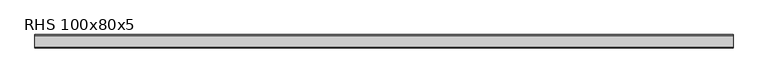
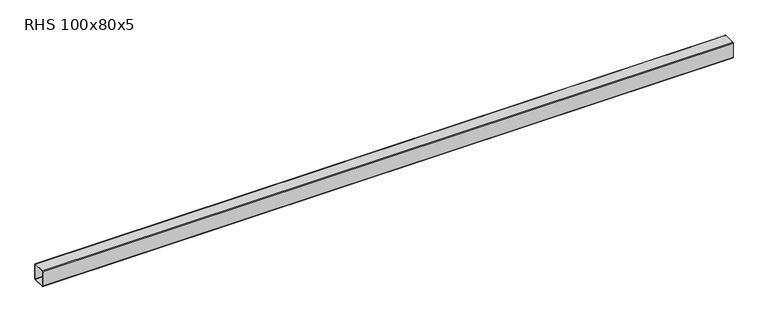
"""IFC4 building model written with IfcOpenShell, lengths in millimetres: beam geometry, RHS 100x80x5."""

import ifcopenshell
import ifcopenshell.guid

model = None  # the IFC model being written
_history = None  # IfcOwnerHistory: only IFC2X3 demands one
_inside = {}  # id of a spatial element -> (the spatial element, [elements in it])
_under = {}  # id of a project, library or spatial element -> (it, [spatial elements below it])
_declared = {}  # id of a project -> (the project, [libraries it declares])
_typed = {}  # id of a type object -> (the type object, [elements of that type])
_made_of = {}  # id of a material, layer set ... -> (it, [elements and type objects made of it])


def new_model(schema):
    """Start an empty IFC model of exactly this schema.

    Asked for "IFC4X3", IfcOpenShell would pick the latest addendum, in which some entities
    have other attributes; the version numbers below select the first issue.
    IFC2X3 requires an IfcOwnerHistory on every rooted entity: one is made here for all.
    """
    global model, _history
    if schema == "IFC4X3":
        model = ifcopenshell.file(schema_version=(4, 3, 0, 0))
    else:
        model = ifcopenshell.file(schema=schema)
    _inside.clear()
    _under.clear()
    _declared.clear()
    _typed.clear()
    _made_of.clear()
    _history = None
    if model.schema == "IFC2X3":
        org = make("IfcOrganization", Name="unknown")
        user = make(
            "IfcPersonAndOrganization",
            ThePerson=make("IfcPerson", FamilyName="unknown"),
            TheOrganization=org,
        )
        app = make(
            "IfcApplication",
            ApplicationDeveloper=org,
            Version="unknown",
            ApplicationFullName="unknown",
            ApplicationIdentifier="unknown",
        )
        _history = make(
            "IfcOwnerHistory",
            OwningUser=user,
            OwningApplication=app,
            ChangeAction="ADDED",
            CreationDate=0,
        )
    return model


def make(cls, **values):
    """One entity of the class cls with the attributes given. An attribute that is None is left unset."""
    return model.create_entity(
        cls, **{name: value for name, value in values.items() if value is not None}
    )


def rooted(cls, **values):
    """An entity with a GlobalId (a new one), such as an element, a storey or a relation."""
    return make(cls, GlobalId=ifcopenshell.guid.new(), OwnerHistory=_history, **values)


def si_unit(unit_type, name, prefix=None):
    """IfcSIUnit, for example si_unit("LENGTHUNIT", "METRE", prefix="MILLI")."""
    return make("IfcSIUnit", UnitType=unit_type, Prefix=prefix, Name=name)


def assignment(units):
    """IfcUnitAssignment: the units of a project."""
    return None if units is None else make("IfcUnitAssignment", Units=units)


def point(xyz):
    """IfcCartesianPoint."""
    return None if xyz is None else make("IfcCartesianPoint", Coordinates=xyz)


def direction(xyz):
    """IfcDirection."""
    return None if xyz is None else make("IfcDirection", DirectionRatios=xyz)


def frame(location, z_axis=None, x_axis=None):
    """IfcAxis2Placement3D, a coordinate frame: its origin and axes. An axis left out is left unset."""
    return make(
        "IfcAxis2Placement3D",
        Location=point(location),
        Axis=direction(z_axis),
        RefDirection=direction(x_axis),
    )


def frame_2d(location, x_axis=None):
    """IfcAxis2Placement2D, a coordinate frame in the plane: its origin and x axis."""
    return make(
        "IfcAxis2Placement2D", Location=point(location), RefDirection=direction(x_axis)
    )


def origin():
    """The frame at (0, 0, 0) with its axes left unset."""
    return frame((0.0, 0.0, 0.0))


def place(relative_to, where):
    """IfcLocalPlacement: puts the frame where relative to a parent placement (None: the world)."""
    return make(
        "IfcLocalPlacement", PlacementRelTo=relative_to, RelativePlacement=where
    )


def context(
    kind, dimensions, precision=None, world=None, true_north=None, identifier=None
):
    """IfcGeometricRepresentationContext, for example the 3D "Model" context."""
    return make(
        "IfcGeometricRepresentationContext",
        ContextIdentifier=identifier,
        ContextType=kind,
        CoordinateSpaceDimension=dimensions,
        Precision=precision,
        WorldCoordinateSystem=world,
        TrueNorth=true_north,
    )


def project(units=None, contexts=None):
    """IfcProject with its units and contexts."""
    return rooted(
        "IfcProject",
        Name="project",
        RepresentationContexts=contexts,
        UnitsInContext=assignment(units),
    )


def spatial(cls, under=None, at=None, **own):
    """A site, building, storey or space (cls), placed at a placement, below another one or the project."""
    s = rooted(cls, ObjectPlacement=at, **own)
    if under is not None:
        _under.setdefault(under.id(), (under, []))[1].append(s)
    return s


def polyline(points):
    """IfcPolyline through the points."""
    return make("IfcPolyline", Points=[point(p) for p in points])


def circle_curve(where, radius):
    """IfcCircle in the frame where."""
    return make("IfcCircle", Position=where, Radius=radius)


def trimmed(basis, trim1, trim2, sense, master):
    """IfcTrimmedCurve: the piece of a basis curve between two trims."""
    return make(
        "IfcTrimmedCurve",
        BasisCurve=basis,
        Trim1=trim1,
        Trim2=trim2,
        SenseAgreement=sense,
        MasterRepresentation=master,
    )


def segment(curve, same_sense, transition):
    """IfcCompositeCurveSegment."""
    return make(
        "IfcCompositeCurveSegment",
        Transition=transition,
        SameSense=same_sense,
        ParentCurve=curve,
    )


def composite_curve(segments, self_intersect=None):
    """IfcCompositeCurve: segments joined end to end."""
    return make("IfcCompositeCurve", Segments=segments, SelfIntersect=self_intersect)


def outline(outer, holes=None, kind="AREA"):
    """IfcArbitraryClosedProfileDef: a profile drawn as a closed curve; with holes, ...WithVoids."""
    if holes is None:
        return make("IfcArbitraryClosedProfileDef", ProfileType=kind, OuterCurve=outer)
    return make(
        "IfcArbitraryProfileDefWithVoids",
        ProfileType=kind,
        OuterCurve=outer,
        InnerCurves=holes,
    )


def extrude(swept, where, along, depth):
    """IfcExtrudedAreaSolid: the profile swept, set in the frame where, extruded along a direction by depth."""
    return make(
        "IfcExtrudedAreaSolid",
        SweptArea=swept,
        Position=where,
        ExtrudedDirection=direction(along),
        Depth=depth,
    )


def shape(context_of_items, identifier, shape_type, items):
    """IfcShapeRepresentation: the items that make up one representation, for example the "Body"."""
    return make(
        "IfcShapeRepresentation",
        ContextOfItems=context_of_items,
        RepresentationIdentifier=identifier,
        RepresentationType=shape_type,
        Items=items,
    )


def source(mapping_origin, context_of_items, identifier, shape_type, items):
    """IfcRepresentationMap: a shape defined once, which mapped items show again and again."""
    return make(
        "IfcRepresentationMap",
        MappingOrigin=mapping_origin,
        MappedRepresentation=shape(context_of_items, identifier, shape_type, items),
    )


def transform(
    local_origin,
    x_axis=None,
    y_axis=None,
    z_axis=None,
    scale=None,
    scale2=None,
    scale3=None,
    uniform=True,
):
    """IfcCartesianTransformationOperator3D, or its non-uniform kind. x_axis, y_axis, z_axis: its Axis1, 2, 3."""
    if uniform:
        return make(
            "IfcCartesianTransformationOperator3D",
            Axis1=direction(x_axis),
            Axis2=direction(y_axis),
            LocalOrigin=point(local_origin),
            Scale=scale,
            Axis3=direction(z_axis),
        )
    return make(
        "IfcCartesianTransformationOperator3DnonUniform",
        Axis1=direction(x_axis),
        Axis2=direction(y_axis),
        LocalOrigin=point(local_origin),
        Scale=scale,
        Axis3=direction(z_axis),
        Scale2=scale2,
        Scale3=scale3,
    )


def mapped(mapping_source, mapping_target):
    """IfcMappedItem: shows the shape of a source again, moved by a transform."""
    return make(
        "IfcMappedItem", MappingSource=mapping_source, MappingTarget=mapping_target
    )


def made_of(thing, what):
    """Note that an element or type object is made of a material, layer set ...; save() writes the relation."""
    if what is not None:
        _made_of.setdefault(what.id(), (what, []))[1].append(thing)
    return thing


def element(
    cls,
    number,
    at=None,
    inside=None,
    cuts=None,
    type_object=None,
    material=None,
    context=None,
    identifier="Body",
    shape_type=None,
    held_by="IfcProductDefinitionShape",
    body=None,
    shapes=None,
    **own,
):
    """One element of the class cls, such as IfcWall. Its Tag is "e" and its number.

    at: its placement. inside: the storey or other place that contains it. cuts: it is an
    opening in that element (IfcRelVoidsElement). A single representation is given by context,
    identifier, shape_type and body (its items); several are given by shapes. held_by: the class
    of the entity that holds the representations. save() writes the other relations.
    """
    e = rooted(cls, Tag="e%d" % number, ObjectPlacement=at, **own)
    if body is not None:
        shapes = [shape(context, identifier, shape_type, body)]
    if shapes is not None:
        e.Representation = make(held_by, Representations=shapes)
    if inside is not None:
        _inside.setdefault(inside.id(), (inside, []))[1].append(e)
    if cuts is not None:
        rooted(
            "IfcRelVoidsElement", RelatingBuildingElement=cuts, RelatedOpeningElement=e
        )
    if type_object is not None:
        _typed.setdefault(type_object.id(), (type_object, []))[1].append(e)
    return made_of(e, material)


def aggregate(whole, parts):
    """IfcRelAggregates: a whole, such as a stair, and the parts it consists of."""
    return rooted("IfcRelAggregates", RelatingObject=whole, RelatedObjects=parts)


def save(model, path):
    """Write the relations noted so far, then the file.

    IfcRelAggregates (storeys below a building ...), IfcRelContainedInSpatialStructure (elements
    in a storey), IfcRelDefinesByType, IfcRelAssociatesMaterial and IfcRelDeclares: one each for
    every whole, place, type object, material and project.
    """
    for whole, parts in _under.values():
        aggregate(whole, parts)
    for where, things in _inside.values():
        rooted(
            "IfcRelContainedInSpatialStructure",
            RelatedElements=things,
            RelatingStructure=where,
        )
    for kind, things in _typed.values():
        rooted("IfcRelDefinesByType", RelatedObjects=things, RelatingType=kind)
    for what, things in _made_of.values():
        rooted("IfcRelAssociatesMaterial", RelatedObjects=things, RelatingMaterial=what)
    for by, libraries in _declared.values():
        rooted("IfcRelDeclares", RelatingContext=by, RelatedDefinitions=libraries)
    model.write(path)


def rhs_100x80x5_d25640f3(model_context):
    return source(origin(), model_context, "Body", "SweptSolid", [
        extrude(outline(composite_curve([segment(polyline([(40.0, 45.0), (40.0, -45.0)]), True, "CONTINUOUS"), segment(trimmed(circle_curve(frame_2d((35.0, -45.0)), 5.0), [point((40.0, -45.0))], [point((35.0, -50.0))], False, "CARTESIAN"), True, "CONTINUOUS"), segment(polyline([(35.0, -50.0), (-35.0, -50.0)]), True, "CONTINUOUS"), segment(trimmed(circle_curve(frame_2d((-35.0, -45.0)), 5.0), [point((-35.0, -50.0))], [point((-40.0, -45.0))], False, "CARTESIAN"), True, "CONTINUOUS"), segment(polyline([(-40.0, -45.0), (-40.0, 45.0)]), True, "CONTINUOUS"), segment(trimmed(circle_curve(frame_2d((-35.0, 45.0)), 5.0), [point((-40.0, 45.0))], [point((-35.0, 50.0))], False, "CARTESIAN"), True, "CONTINUOUS"), segment(polyline([(-35.0, 50.0), (35.0, 50.0)]), True, "CONTINUOUS"), segment(trimmed(circle_curve(frame_2d((35.0, 45.0)), 5.0), [point((35.0, 50.0))], [point((40.0, 45.0))], False, "CARTESIAN"), True, "CONTINUOUS")], self_intersect=False), holes=[composite_curve([segment(trimmed(circle_curve(frame_2d((-35.0, 45.0)), 2.5), [point((-35.0, 47.5))], [point((-37.5, 45.0))], True, "CARTESIAN"), True, "CONTINUOUS"), segment(polyline([(-37.5, 45.0), (-37.5, -45.0)]), True, "CONTINUOUS"), segment(trimmed(circle_curve(frame_2d((-35.0, -45.0)), 2.5), [point((-37.5, -45.0))], [point((-35.0, -47.5))], True, "CARTESIAN"), True, "CONTINUOUS"), segment(polyline([(-35.0, -47.5), (35.0, -47.5)]), True, "CONTINUOUS"), segment(trimmed(circle_curve(frame_2d((35.0, -45.0)), 2.5), [point((35.0, -47.5))], [point((37.5, -45.0))], True, "CARTESIAN"), True, "CONTINUOUS"), segment(polyline([(37.5, -45.0), (37.5, 45.0)]), True, "CONTINUOUS"), segment(trimmed(circle_curve(frame_2d((35.0, 45.0)), 2.5), [point((37.5, 45.0))], [point((35.0, 47.5))], True, "CARTESIAN"), True, "CONTINUOUS"), segment(polyline([(35.0, 47.5), (-35.0, 47.5)]), True, "CONTINUOUS")], self_intersect=False)]), frame((-2082.9145235, 0.0, 0.0), z_axis=(1.0, 0.0, 0.0), x_axis=(0.0, 1.0, 0.0)), (0.0, 0.0, 1.0), 4165.8290145),
    ])


if __name__ == "__main__":
    model = new_model("IFC4")
    model_context = context("Model", 3, world=origin())
    ifc_project = project(units=[si_unit("LENGTHUNIT", "METRE", prefix="MILLI")], contexts=[model_context])
    site = spatial("IfcSite", under=ifc_project)
    building = spatial("IfcBuilding", under=site)
    placement = place(None, origin())
    rhs_100x80x5_shape = rhs_100x80x5_d25640f3(model_context)
    element("IfcBeam", 1, ObjectType="RHS 100x80x5", at=placement, inside=building, context=model_context, shape_type="MappedRepresentation", body=[
        mapped(rhs_100x80x5_shape, transform((0.0, 0.0, 0.0), x_axis=(1.0, 0.0, 0.0), y_axis=(0.0, 1.0, 0.0), z_axis=(0.0, 0.0, 1.0))),
    ])
    save(model, "model.ifc")
